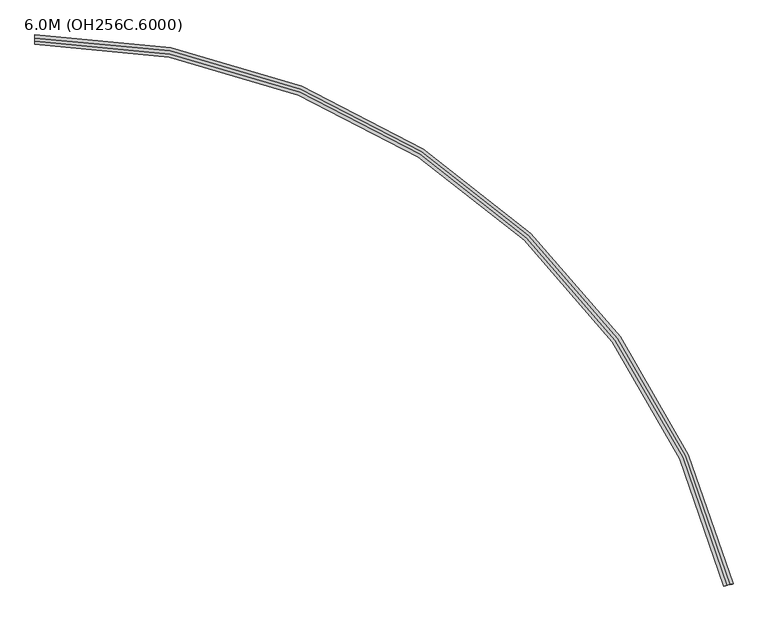
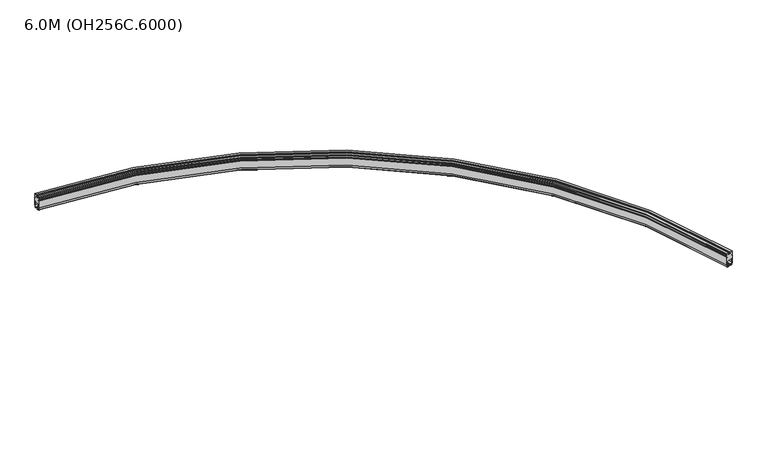
"""IFC4 building model written with IfcOpenShell, lengths in millimetres: proxy geometry, 6.0M (OH256C.6000)."""

from ifc_helpers import new_model, si_unit, point, frame, origin, place, context, project, spatial, polyline, circle_curve, ellipse_curve, trimmed, source, transform, mapped, element, save
from ifc_brep_helpers import plane_surface, cylinder_surface, revolved_surface, advanced_brep


def proxy_6_0m_oh256c_6000_f6eaeb56(model_context):
    return source(origin(), model_context, "Body", "AdvancedBrep", [
        advanced_brep(
        [(-413.5740481, 330.0, 94.75), (-413.5740481, 330.0, 25.1), (-413.5740481, 324.2674695, 3.7059048), (-413.5740481, 319.4378403, 0.0), (-413.5740481, 309.025, 0.0), (-413.5740481, 309.025, 4.0), (-413.5740481, 317.9031864, 4.0), (-413.5740481, 320.8009638, 6.2235429), (-413.5740481, 326.0, 25.62661), (-413.5740481, 326.0, 55.0), (-413.5740481, 321.0, 60.0), (-413.5740481, 279.0, 60.0), (-413.5740481, 274.0, 55.0), (-413.5740481, 274.0, 25.62661), (-413.5740481, 279.1990362, 6.2235429), (-413.5740481, 282.0968136, 4.0), (-413.5740481, 290.975, 4.0), (-413.5740481, 290.975, 0.0), (-413.5740481, 280.5621597, 0.0), (-413.5740481, 275.7325305, 3.7059048), (-413.5740481, 270.0, 25.1), (-413.5740481, 270.0, 94.75), (-413.5740481, 277.0, 94.75), (-413.5740481, 277.0, 106.75), (-413.5740481, 270.0, 106.75), (-413.5740481, 270.0, 117.0), (-413.5740481, 276.0, 117.0), (-413.5740481, 276.0, 124.0), (-413.5740481, 270.0, 124.0), (-413.5740481, 270.0, 130.0), (-413.5740481, 289.5, 130.0), (-413.5740481, 289.5, 124.0), (-413.5740481, 283.5, 124.0), (-413.5740481, 283.5, 117.0), (-413.5740481, 289.5, 117.0), (-413.5740481, 289.5, 114.0), (-413.5740481, 310.5, 114.0), (-413.5740481, 310.5, 117.0), (-413.5740481, 316.5, 117.0), (-413.5740481, 316.5, 124.0), (-413.5740481, 310.5, 124.0), (-413.5740481, 310.5, 130.0), (-413.5740481, 330.0, 130.0), (-413.5740481, 330.0, 124.0), (-413.5740481, 324.0, 124.0), (-413.5740481, 324.0, 117.0), (-413.5740481, 330.0, 117.0), (-413.5740481, 330.0, 106.75), (-413.5740481, 323.0, 106.75), (-413.5740481, 323.0, 94.75), (3989.3046451, -3134.3737929, 94.75), (3982.5010798, -3136.020456, 94.75), (3982.5010798, -3136.020456, 106.75), (3989.3046451, -3134.3737929, 106.75), (3989.3046451, -3134.3737929, 117.0), (3983.4730177, -3135.7852184, 117.0), (3983.4730177, -3135.7852184, 124.0), (3989.3046451, -3134.3737929, 124.0), (3989.3046451, -3134.3737929, 130.0), (3970.351856, -3138.9609256, 130.0), (3970.351856, -3138.9609256, 124.0), (3976.1834834, -3137.5495002, 124.0), (3976.1834834, -3137.5495002, 117.0), (3970.351856, -3138.9609256, 117.0), (3970.351856, -3138.9609256, 114.0), (3949.9411601, -3143.9009147, 114.0), (3949.9411601, -3143.9009147, 117.0), (3944.1095327, -3145.3123401, 117.0), (3944.1095327, -3145.3123401, 124.0), (3949.9411601, -3143.9009147, 124.0), (3949.9411601, -3143.9009147, 130.0), (3930.988371, -3148.4880473, 130.0), (3930.988371, -3148.4880473, 124.0), (3936.8199984, -3147.0766219, 124.0), (3936.8199984, -3147.0766219, 117.0), (3930.988371, -3148.4880473, 117.0), (3930.988371, -3148.4880473, 106.75), (3937.7919363, -3146.8413843, 106.75), (3937.7919363, -3146.8413843, 94.75), (3930.988371, -3148.4880473, 94.75), (3930.988371, -3148.4880473, 25.1), (3936.5600347, -3147.1395408, 3.7059048), (3941.2541343, -3146.0034305, 0.0), (3951.3747685, -3143.5539392, 0.0), (3951.3747685, -3143.5539392, 4.0), (3942.7457227, -3145.6424222, 4.0), (3939.9292629, -3146.3240884, 6.2235429), (3934.8761226, -3147.547097, 25.62661), (3934.8761226, -3147.547097, 55.0), (3939.7358121, -3146.3709092, 60.0), (3980.557204, -3136.4909311, 60.0), (3985.4168935, -3135.3147432, 55.0), (3985.4168935, -3135.3147432, 25.62661), (3980.3637532, -3136.5377519, 6.2235429), (3977.5472934, -3137.219418, 4.0), (3968.9182476, -3139.307901, 4.0), (3968.9182476, -3139.307901, 0.0), (3979.0388818, -3136.8584097, 0.0), (3983.7329814, -3135.7222995, 3.7059048), (3989.3046451, -3134.3737929, 25.1)],
        [
            (0, 1),
            (1, 2),
            (2, 3, circle_curve(frame((-413.5740481, 319.4378403, 5.0), z_axis=(-1.0000000000000002, 0.0, 0.0), x_axis=(0.0, 0.9659258262890679, -0.2588190451025229)), 5.0)),
            (3, 4),
            (4, 5),
            (5, 6),
            (6, 7, circle_curve(frame((-413.5740481, 317.9031864, 7.0), z_axis=(1.0000000000000002, 0.0, 0.0), x_axis=(0.0, -0.965925826289071, 0.25881904510251114)), 3.0)),
            (7, 8),
            (8, 9),
            (9, 10, circle_curve(frame((-413.5740481, 321.0, 55.0), z_axis=(1.0, 0.0, 0.0), x_axis=(0.0, 0.0, -1.0)), 5.0)),
            (10, 11),
            (11, 12, circle_curve(frame((-413.5740481, 279.0, 55.0), z_axis=(1.0, 0.0, 0.0), x_axis=(0.0, 1.0, 0.0)), 5.0)),
            (12, 13),
            (13, 14),
            (14, 15, circle_curve(frame((-413.5740481, 282.0968136, 7.0), z_axis=(1.0, 0.0, 0.0), x_axis=(0.0, 0.0, 1.0)), 3.0)),
            (15, 16),
            (16, 17),
            (17, 18),
            (18, 19, circle_curve(frame((-413.5740481, 280.5621597, 5.0), z_axis=(-1.0000000000000002, 0.0, 0.0), x_axis=(0.0, -0.9659258262890696, -0.2588190451025158)), 5.0)),
            (19, 20),
            (20, 21),
            (21, 22),
            (22, 23),
            (23, 24),
            (24, 25),
            (25, 26),
            (26, 27),
            (27, 28),
            (28, 29),
            (29, 30),
            (30, 31),
            (31, 32),
            (32, 33),
            (33, 34),
            (34, 35),
            (35, 36),
            (36, 37),
            (37, 38),
            (38, 39),
            (39, 40),
            (40, 41),
            (41, 42),
            (42, 43),
            (43, 44),
            (44, 45),
            (45, 46),
            (46, 47),
            (47, 48),
            (48, 49),
            (49, 0),
            (50, 51),
            (51, 52),
            (52, 53),
            (53, 54),
            (54, 55),
            (55, 56),
            (56, 57),
            (57, 58),
            (58, 59),
            (59, 60),
            (60, 61),
            (61, 62),
            (62, 63),
            (63, 64),
            (64, 65),
            (65, 66),
            (66, 67),
            (67, 68),
            (68, 69),
            (69, 70),
            (70, 71),
            (71, 72),
            (72, 73),
            (73, 74),
            (74, 75),
            (75, 76),
            (76, 77),
            (77, 78),
            (78, 79),
            (79, 80),
            (80, 81),
            (81, 82, circle_curve(frame((3941.2541343, -3146.0034305, 5.0), z_axis=(0.23523757330299594, -0.9719379013633115, 0.0), x_axis=(-0.9388199204760215, -0.22722204736693188, -0.2588190451025128)), 5.0)),
            (82, 83),
            (83, 84),
            (84, 85),
            (85, 86, circle_curve(frame((3942.7457227, -3145.6424222, 7.0), z_axis=(-0.2352375733029958, 0.9719379013633113, 0.0), x_axis=(0.0, 0.0, 1.0)), 3.0)),
            (86, 87),
            (87, 88),
            (88, 89, circle_curve(frame((3939.7358121, -3146.3709092, 55.0), z_axis=(-0.2352375733029958, 0.9719379013633113, 0.0), x_axis=(0.9719379013633113, 0.2352375733029958, 0.0)), 5.0)),
            (89, 90),
            (90, 91, circle_curve(frame((3980.557204, -3136.4909311, 55.0), z_axis=(-0.2352375733029958, 0.9719379013633113, 0.0), x_axis=(0.0, 0.0, -1.0)), 5.0)),
            (91, 92),
            (92, 93),
            (93, 94, circle_curve(frame((3977.5472934, -3137.219418, 7.0), z_axis=(-0.2352375733029958, 0.9719379013633115, 0.0), x_axis=(-0.9388199204760211, -0.22722204736693205, 0.25881904510251413)), 3.0)),
            (94, 95),
            (95, 96),
            (96, 97),
            (97, 98, circle_curve(frame((3979.0388818, -3136.8584097, 5.0), z_axis=(0.2352375733029958, -0.9719379013633115, 0.0), x_axis=(0.9388199204760181, 0.22722204736693133, -0.2588190451025259)), 5.0)),
            (98, 99),
            (99, 50),
            (99, 1, circle_curve(frame((-413.5740481, -4200.0, 25.1), z_axis=(0.0, 0.0, 1.0), x_axis=(0.0, 1.0, 0.0)), 4530.0)),
            (0, 50, circle_curve(frame((-413.5740481, -4200.0, 94.75), z_axis=(0.0, 0.0, -1.0), x_axis=(0.0, 1.0, 0.0)), 4530.0)),
            (98, 2, circle_curve(frame((-413.5740481, -4200.0, 3.7059048), z_axis=(0.0, 0.0, 1.0), x_axis=(0.0, 1.0, 0.0)), 4524.2674695)),
            (97, 3, circle_curve(frame((-413.5740481, -4200.0, 0.0), z_axis=(0.0, 0.0, 1.0), x_axis=(0.0, 1.0, 0.0)), 4519.4378403)),
            (96, 4, circle_curve(frame((-413.5740481, -4200.0, 0.0), z_axis=(0.0, 0.0, 1.0), x_axis=(0.0, 1.0, 0.0)), 4509.025)),
            (95, 5, circle_curve(frame((-413.5740481, -4200.0, 4.0), z_axis=(0.0, 0.0, 1.0), x_axis=(0.0, 1.0, 0.0)), 4509.025)),
            (94, 6, circle_curve(frame((-413.5740481, -4200.0, 4.0), z_axis=(0.0, 0.0, 1.0), x_axis=(0.0, 1.0, 0.0)), 4517.9031864)),
            (93, 7, circle_curve(frame((-413.5740481, -4200.0, 6.2235429), z_axis=(0.0, 0.0, 1.0), x_axis=(0.0, 1.0, 0.0)), 4520.8009638)),
            (92, 8, circle_curve(frame((-413.5740481, -4200.0, 25.62661), z_axis=(0.0, 0.0, 1.0), x_axis=(0.0, 1.0, 0.0)), 4526.0)),
            (91, 9, circle_curve(frame((-413.5740481, -4200.0, 55.0), z_axis=(0.0, 0.0, 1.0), x_axis=(0.0, 1.0, 0.0)), 4526.0)),
            (90, 10, circle_curve(frame((-413.5740481, -4200.0, 60.0), z_axis=(0.0, 0.0, 1.0), x_axis=(0.0, 1.0, 0.0)), 4521.0)),
            (89, 11, circle_curve(frame((-413.5740481, -4200.0, 60.0), z_axis=(0.0, 0.0, 1.0), x_axis=(0.0, 1.0, 0.0)), 4479.0)),
            (88, 12, circle_curve(frame((-413.5740481, -4200.0, 55.0), z_axis=(0.0, 0.0, 1.0), x_axis=(0.0, 1.0, 0.0)), 4474.0)),
            (87, 13, circle_curve(frame((-413.5740481, -4200.0, 25.62661), z_axis=(0.0, 0.0, 1.0), x_axis=(0.0, 1.0, 0.0)), 4474.0)),
            (86, 14, circle_curve(frame((-413.5740481, -4200.0, 6.2235429), z_axis=(0.0, 0.0, 1.0), x_axis=(0.0, 1.0, 0.0)), 4479.1990362)),
            (85, 15, circle_curve(frame((-413.5740481, -4200.0, 4.0), z_axis=(0.0, 0.0, 1.0), x_axis=(0.0, 1.0, 0.0)), 4482.0968136)),
            (84, 16, circle_curve(frame((-413.5740481, -4200.0, 4.0), z_axis=(0.0, 0.0, 1.0), x_axis=(0.0, 1.0, 0.0)), 4490.975)),
            (83, 17, circle_curve(frame((-413.5740481, -4200.0, 0.0), z_axis=(0.0, 0.0, 1.0), x_axis=(0.0, 1.0, 0.0)), 4490.975)),
            (82, 18, circle_curve(frame((-413.5740481, -4200.0, 0.0), z_axis=(0.0, 0.0, 1.0), x_axis=(0.0, 1.0, 0.0)), 4480.5621597)),
            (81, 19, circle_curve(frame((-413.5740481, -4200.0, 3.7059048), z_axis=(0.0, 0.0, 1.0), x_axis=(0.0, 1.0, 0.0)), 4475.7325305)),
            (80, 20, circle_curve(frame((-413.5740481, -4200.0, 25.1), z_axis=(0.0, 0.0, 1.0), x_axis=(0.0, 1.0, 0.0)), 4470.0)),
            (79, 21, circle_curve(frame((-413.5740481, -4200.0, 94.75), z_axis=(0.0, 0.0, 1.0), x_axis=(0.0, 1.0, 0.0)), 4470.0)),
            (78, 22, circle_curve(frame((-413.5740481, -4200.0, 94.75), z_axis=(0.0, 0.0, 1.0), x_axis=(0.0, 1.0, 0.0)), 4477.0)),
            (77, 23, circle_curve(frame((-413.5740481, -4200.0, 106.75), z_axis=(0.0, 0.0, 1.0), x_axis=(0.0, 1.0, 0.0)), 4477.0)),
            (76, 24, circle_curve(frame((-413.5740481, -4200.0, 106.75), z_axis=(0.0, 0.0, 1.0), x_axis=(0.0, 1.0, 0.0)), 4470.0)),
            (75, 25, circle_curve(frame((-413.5740481, -4200.0, 117.0), z_axis=(0.0, 0.0, 1.0), x_axis=(0.0, 1.0, 0.0)), 4470.0)),
            (74, 26, circle_curve(frame((-413.5740481, -4200.0, 117.0), z_axis=(0.0, 0.0, 1.0), x_axis=(0.0, 1.0, 0.0)), 4476.0)),
            (73, 27, circle_curve(frame((-413.5740481, -4200.0, 124.0), z_axis=(0.0, 0.0, 1.0), x_axis=(0.0, 1.0, 0.0)), 4476.0)),
            (72, 28, circle_curve(frame((-413.5740481, -4200.0, 124.0), z_axis=(0.0, 0.0, 1.0), x_axis=(0.0, 1.0, 0.0)), 4470.0)),
            (71, 29, circle_curve(frame((-413.5740481, -4200.0, 130.0), z_axis=(0.0, 0.0, 1.0), x_axis=(0.0, 1.0, 0.0)), 4470.0)),
            (70, 30, circle_curve(frame((-413.5740481, -4200.0, 130.0), z_axis=(0.0, 0.0, 1.0), x_axis=(0.0, 1.0, 0.0)), 4489.5)),
            (69, 31, circle_curve(frame((-413.5740481, -4200.0, 124.0), z_axis=(0.0, 0.0, 1.0), x_axis=(0.0, 1.0, 0.0)), 4489.5)),
            (68, 32, circle_curve(frame((-413.5740481, -4200.0, 124.0), z_axis=(0.0, 0.0, 1.0), x_axis=(0.0, 1.0, 0.0)), 4483.5)),
            (67, 33, circle_curve(frame((-413.5740481, -4200.0, 117.0), z_axis=(0.0, 0.0, 1.0), x_axis=(0.0, 1.0, 0.0)), 4483.5)),
            (66, 34, circle_curve(frame((-413.5740481, -4200.0, 117.0), z_axis=(0.0, 0.0, 1.0), x_axis=(0.0, 1.0, 0.0)), 4489.5)),
            (65, 35, circle_curve(frame((-413.5740481, -4200.0, 114.0), z_axis=(0.0, 0.0, 1.0), x_axis=(0.0, 1.0, 0.0)), 4489.5)),
            (64, 36, circle_curve(frame((-413.5740481, -4200.0, 114.0), z_axis=(0.0, 0.0, 1.0), x_axis=(0.0, 1.0, 0.0)), 4510.5)),
            (63, 37, circle_curve(frame((-413.5740481, -4200.0, 117.0), z_axis=(0.0, 0.0, 1.0), x_axis=(0.0, 1.0, 0.0)), 4510.5)),
            (62, 38, circle_curve(frame((-413.5740481, -4200.0, 117.0), z_axis=(0.0, 0.0, 1.0), x_axis=(0.0, 1.0, 0.0)), 4516.5)),
            (61, 39, circle_curve(frame((-413.5740481, -4200.0, 124.0), z_axis=(0.0, 0.0, 1.0), x_axis=(0.0, 1.0, 0.0)), 4516.5)),
            (60, 40, circle_curve(frame((-413.5740481, -4200.0, 124.0), z_axis=(0.0, 0.0, 1.0), x_axis=(0.0, 1.0, 0.0)), 4510.5)),
            (59, 41, circle_curve(frame((-413.5740481, -4200.0, 130.0), z_axis=(0.0, 0.0, 1.0), x_axis=(0.0, 1.0, 0.0)), 4510.5)),
            (58, 42, circle_curve(frame((-413.5740481, -4200.0, 130.0), z_axis=(0.0, 0.0, 1.0), x_axis=(0.0, 1.0, 0.0)), 4530.0)),
            (57, 43, circle_curve(frame((-413.5740481, -4200.0, 124.0), z_axis=(0.0, 0.0, 1.0), x_axis=(0.0, 1.0, 0.0)), 4530.0)),
            (56, 44, circle_curve(frame((-413.5740481, -4200.0, 124.0), z_axis=(0.0, 0.0, 1.0), x_axis=(0.0, 1.0, 0.0)), 4524.0)),
            (55, 45, circle_curve(frame((-413.5740481, -4200.0, 117.0), z_axis=(0.0, 0.0, 1.0), x_axis=(0.0, 1.0, 0.0)), 4524.0)),
            (54, 46, circle_curve(frame((-413.5740481, -4200.0, 117.0), z_axis=(0.0, 0.0, 1.0), x_axis=(0.0, 1.0, 0.0)), 4530.0)),
            (53, 47, circle_curve(frame((-413.5740481, -4200.0, 106.75), z_axis=(0.0, 0.0, 1.0), x_axis=(0.0, 1.0, 0.0)), 4530.0)),
            (52, 48, circle_curve(frame((-413.5740481, -4200.0, 106.75), z_axis=(0.0, 0.0, 1.0), x_axis=(0.0, 1.0, 0.0)), 4523.0)),
            (51, 49, circle_curve(frame((-413.5740481, -4200.0, 94.75), z_axis=(0.0, 0.0, 1.0), x_axis=(0.0, 1.0, 0.0)), 4523.0)),
        ],
        [
            plane_surface(frame((-413.5740481, 300.0, 0.0), z_axis=(-1.0, 0.0, 0.0), x_axis=(0.0, 0.0, 1.0))),
            plane_surface(frame((3960.146508, -3141.4309201, 0.0), z_axis=(0.23523757330299588, -0.9719379013633113, 0.0), x_axis=(0.0, 0.0, 1.0))),
            cylinder_surface(frame((-413.5740481, -4200.0, 0.0), z_axis=(0.0, 0.0, -1.0), x_axis=(0.0, 1.0, 0.0)), 4530.0),
            revolved_surface(polyline([(-413.5740481, 330.0, 25.1), (-413.5740481, 324.2674695, 3.7059048)]), (-413.5740481, -4200.0, 0.0), (0.0, 0.0, -1.0)),
            revolved_surface(trimmed(ellipse_curve(frame((-413.5740481, 319.4378403, 5.0), z_axis=(-1.0000000000000002, 0.0, 0.0), x_axis=(0.0, 0.9659258262890679, -0.2588190451025229)), 5.0, 5.0), [point((-413.5740481, 324.2674695, 3.7059048))], [point((-413.5740481, 319.4378403, 0.0))], True, "CARTESIAN"), (-413.5740481, -4200.0, 0.0), (0.0, 0.0, -1.0)),
            plane_surface(frame((-413.5740481, -4200.0, 0.0), z_axis=(0.0, 0.0, -1.0), x_axis=(0.0, 1.0, 0.0))),
            revolved_surface(polyline([(-413.5740481, 309.02499999999964, 0.0), (-413.5740481, 309.02499999999964, 4.0)]), (-413.5740481, -4200.0, 0.0), (0.0, 0.0, -1.0)),
            plane_surface(frame((-413.5740481, -4200.0, 4.0), z_axis=(0.0, 0.0, 1.0), x_axis=(0.0, 1.0, 0.0))),
            revolved_surface(trimmed(ellipse_curve(frame((-413.5740481, 317.9031864, 7.0), z_axis=(1.0000000000000002, 0.0, 0.0), x_axis=(0.0, -0.965925826289071, 0.25881904510251114)), 3.0, 3.0), [point((-413.5740481, 317.9031864, 4.0))], [point((-413.5740481, 320.8009638, 6.2235429))], True, "CARTESIAN"), (-413.5740481, -4200.0, 0.0), (0.0, 0.0, -1.0)),
            revolved_surface(polyline([(-413.5740481, 320.8009638, 6.2235429), (-413.5740481, 326.0, 25.62661)]), (-413.5740481, -4200.0, 0.0), (0.0, 0.0, -1.0)),
            revolved_surface(polyline([(-413.5740481, 326.0, 25.62661), (-413.5740481, 326.0, 55.0)]), (-413.5740481, -4200.0, 0.0), (0.0, 0.0, -1.0)),
            revolved_surface(trimmed(ellipse_curve(frame((-413.5740481, 321.0, 55.0), z_axis=(1.0, 0.0, 0.0), x_axis=(0.0, 0.0, -1.0)), 5.0, 5.0), [point((-413.5740481, 326.0, 55.0))], [point((-413.5740481, 321.0, 60.0))], True, "CARTESIAN"), (-413.5740481, -4200.0, 0.0), (0.0, 0.0, -1.0)),
            plane_surface(frame((-413.5740481, -4200.0, 60.0), z_axis=(0.0, 0.0, -1.0), x_axis=(0.0, 1.0, 0.0))),
            revolved_surface(trimmed(ellipse_curve(frame((-413.5740481, 279.0, 55.0), z_axis=(1.0, 0.0, 0.0), x_axis=(0.0, 1.0, 0.0)), 5.0, 5.0), [point((-413.5740481, 279.0, 60.0))], [point((-413.5740481, 274.0, 55.0))], True, "CARTESIAN"), (-413.5740481, -4200.0, 0.0), (0.0, 0.0, -1.0)),
            cylinder_surface(frame((-413.5740481, -4200.0, 0.0), z_axis=(0.0, 0.0, -1.0), x_axis=(0.0, 1.0, 0.0)), 4474.0),
            revolved_surface(polyline([(-413.5740481, 274.0, 25.62661), (-413.5740481, 279.1990362, 6.2235429)]), (-413.5740481, -4200.0, 0.0), (0.0, 0.0, -1.0)),
            revolved_surface(trimmed(ellipse_curve(frame((-413.5740481, 282.0968136, 7.0), z_axis=(1.0, 0.0, 0.0), x_axis=(0.0, 0.0, 1.0)), 3.0, 3.0), [point((-413.5740481, 279.1990362, 6.2235429))], [point((-413.5740481, 282.0968136, 4.0))], True, "CARTESIAN"), (-413.5740481, -4200.0, 0.0), (0.0, 0.0, -1.0)),
            cylinder_surface(frame((-413.5740481, -4200.0, 0.0), z_axis=(0.0, 0.0, -1.0), x_axis=(0.0, 1.0, 0.0)), 4490.975),
            revolved_surface(trimmed(ellipse_curve(frame((-413.5740481, 280.5621597, 5.0), z_axis=(-1.0000000000000002, 0.0, 0.0), x_axis=(0.0, -0.9659258262890696, -0.2588190451025158)), 5.0, 5.0), [point((-413.5740481, 280.5621597, 0.0))], [point((-413.5740481, 275.7325305, 3.7059048))], True, "CARTESIAN"), (-413.5740481, -4200.0, 0.0), (0.0, 0.0, -1.0)),
            revolved_surface(polyline([(-413.5740481, 275.7325305, 3.7059048), (-413.5740481, 270.0, 25.1)]), (-413.5740481, -4200.0, 0.0), (0.0, 0.0, -1.0)),
            revolved_surface(polyline([(-413.5740481, 270.0, 25.1), (-413.5740481, 270.0, 94.75)]), (-413.5740481, -4200.0, 0.0), (0.0, 0.0, -1.0)),
            plane_surface(frame((-413.5740481, -4200.0, 94.75), z_axis=(0.0, 0.0, 1.0), x_axis=(0.0, 1.0, 0.0))),
            revolved_surface(polyline([(-413.5740481, 277.0, 94.75), (-413.5740481, 277.0, 106.75)]), (-413.5740481, -4200.0, 0.0), (0.0, 0.0, -1.0)),
            plane_surface(frame((-413.5740481, -4200.0, 106.75), z_axis=(0.0, 0.0, -1.0), x_axis=(0.0, 1.0, 0.0))),
            revolved_surface(polyline([(-413.5740481, 270.0, 106.75), (-413.5740481, 270.0, 117.0)]), (-413.5740481, -4200.0, 0.0), (0.0, 0.0, -1.0)),
            plane_surface(frame((-413.5740481, -4200.0, 117.0), z_axis=(0.0, 0.0, 1.0), x_axis=(0.0, 1.0, 0.0))),
            revolved_surface(polyline([(-413.5740481, 276.0, 117.0), (-413.5740481, 276.0, 124.0)]), (-413.5740481, -4200.0, 0.0), (0.0, 0.0, -1.0)),
            plane_surface(frame((-413.5740481, -4200.0, 124.0), z_axis=(0.0, 0.0, -1.0), x_axis=(0.0, 1.0, 0.0))),
            revolved_surface(polyline([(-413.5740481, 270.0, 124.0), (-413.5740481, 270.0, 130.0)]), (-413.5740481, -4200.0, 0.0), (0.0, 0.0, -1.0)),
            plane_surface(frame((-413.5740481, -4200.0, 130.0), z_axis=(0.0, 0.0, 1.0), x_axis=(0.0, 1.0, 0.0))),
            cylinder_surface(frame((-413.5740481, -4200.0, 0.0), z_axis=(0.0, 0.0, -1.0), x_axis=(0.0, 1.0, 0.0)), 4489.5),
            cylinder_surface(frame((-413.5740481, -4200.0, 0.0), z_axis=(0.0, 0.0, -1.0), x_axis=(0.0, 1.0, 0.0)), 4483.5),
            plane_surface(frame((-413.5740481, -4200.0, 114.0), z_axis=(0.0, 0.0, 1.0), x_axis=(0.0, 1.0, 0.0))),
            revolved_surface(polyline([(-413.5740481, 310.5, 114.0), (-413.5740481, 310.5, 117.0)]), (-413.5740481, -4200.0, 0.0), (0.0, 0.0, -1.0)),
            revolved_surface(polyline([(-413.5740481, 316.5, 117.0), (-413.5740481, 316.5, 124.0)]), (-413.5740481, -4200.0, 0.0), (0.0, 0.0, -1.0)),
            revolved_surface(polyline([(-413.5740481, 310.5, 124.0), (-413.5740481, 310.5, 130.0)]), (-413.5740481, -4200.0, 0.0), (0.0, 0.0, -1.0)),
            cylinder_surface(frame((-413.5740481, -4200.0, 0.0), z_axis=(0.0, 0.0, -1.0), x_axis=(0.0, 1.0, 0.0)), 4524.0),
            cylinder_surface(frame((-413.5740481, -4200.0, 0.0), z_axis=(0.0, 0.0, -1.0), x_axis=(0.0, 1.0, 0.0)), 4523.0),
        ],
        [
            (0, [[1, 2, 3, 4, 5, 6, 7, 8, 9, 10, 11, 12, 13, 14, 15, 16, 17, 18, 19, 20, 21, 22, 23, 24, 25, 26, 27, 28, 29, 30, 31, 32, 33, 34, 35, 36, 37, 38, 39, 40, 41, 42, 43, 44, 45, 46, 47, 48, 49, 50]]),
            (1, [[51, 52, 53, 54, 55, 56, 57, 58, 59, 60, 61, 62, 63, 64, 65, 66, 67, 68, 69, 70, 71, 72, 73, 74, 75, 76, 77, 78, 79, 80, 81, 82, 83, 84, 85, 86, 87, 88, 89, 90, 91, 92, 93, 94, 95, 96, 97, 98, 99, 100]]),
            (2, [[101, -1, 102, -100]]),
            (3, [[103, -2, -101, -99]]),
            (4, [[104, -3, -103, -98]]),
            (5, [[105, -4, -104, -97]]),
            (6, [[106, -5, -105, -96]]),
            (7, [[107, -6, -106, -95]]),
            (8, [[108, -7, -107, -94]]),
            (9, [[109, -8, -108, -93]]),
            (10, [[110, -9, -109, -92]]),
            (11, [[111, -10, -110, -91]]),
            (12, [[112, -11, -111, -90]]),
            (13, [[113, -12, -112, -89]]),
            (14, [[114, -13, -113, -88]]),
            (15, [[115, -14, -114, -87]]),
            (16, [[116, -15, -115, -86]]),
            (7, [[117, -16, -116, -85]]),
            (17, [[118, -17, -117, -84]]),
            (5, [[119, -18, -118, -83]]),
            (18, [[120, -19, -119, -82]]),
            (19, [[121, -20, -120, -81]]),
            (20, [[122, -21, -121, -80]]),
            (21, [[123, -22, -122, -79]]),
            (22, [[124, -23, -123, -78]]),
            (23, [[125, -24, -124, -77]]),
            (24, [[126, -25, -125, -76]]),
            (25, [[127, -26, -126, -75]]),
            (26, [[128, -27, -127, -74]]),
            (27, [[129, -28, -128, -73]]),
            (28, [[130, -29, -129, -72]]),
            (29, [[131, -30, -130, -71]]),
            (30, [[132, -31, -131, -70]]),
            (27, [[133, -32, -132, -69]]),
            (31, [[134, -33, -133, -68]]),
            (25, [[135, -34, -134, -67]]),
            (30, [[136, -35, -135, -66]]),
            (32, [[137, -36, -136, -65]]),
            (33, [[138, -37, -137, -64]]),
            (25, [[139, -38, -138, -63]]),
            (34, [[140, -39, -139, -62]]),
            (27, [[141, -40, -140, -61]]),
            (35, [[142, -41, -141, -60]]),
            (29, [[143, -42, -142, -59]]),
            (2, [[144, -43, -143, -58]]),
            (27, [[145, -44, -144, -57]]),
            (36, [[146, -45, -145, -56]]),
            (25, [[147, -46, -146, -55]]),
            (2, [[148, -47, -147, -54]]),
            (23, [[149, -48, -148, -53]]),
            (37, [[150, -49, -149, -52]]),
            (21, [[-102, -50, -150, -51]]),
        ],
    ),
    ])


if __name__ == "__main__":
    model = new_model("IFC4")
    model_context = context("Model", 3, world=origin())
    ifc_project = project(units=[si_unit("LENGTHUNIT", "METRE", prefix="MILLI")], contexts=[model_context])
    site = spatial("IfcSite", under=ifc_project)
    building = spatial("IfcBuilding", under=site)
    placement = place(None, origin())
    proxy_6_0m_oh256c_6000_shape = proxy_6_0m_oh256c_6000_f6eaeb56(model_context)
    element("IfcBuildingElementProxy", 1, Name="6.0M (OH256C.6000)", ObjectType="6.0M (OH256C.6000)", at=placement, inside=building, context=model_context, shape_type="MappedRepresentation", body=[
        mapped(proxy_6_0m_oh256c_6000_shape, transform((0.0, 0.0, 0.0), x_axis=(1.0, 0.0, 0.0), y_axis=(0.0, 1.0, 0.0), z_axis=(0.0, 0.0, 1.0))),
    ])
    save(model, "model.ifc")
